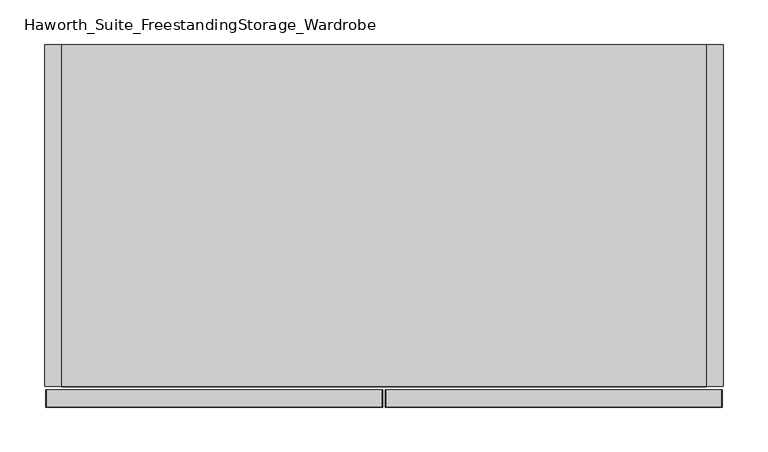
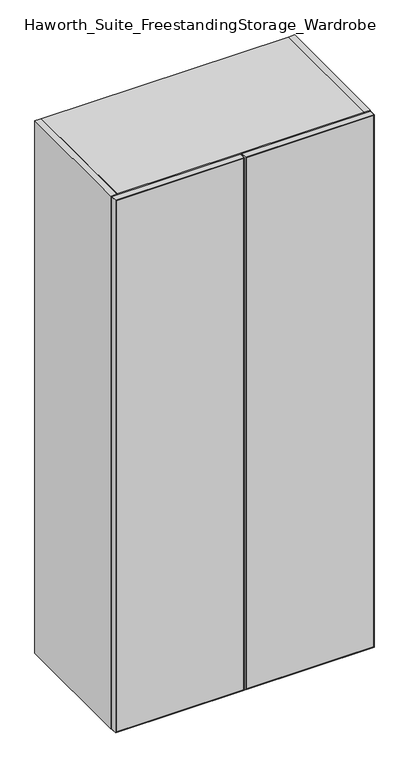
"""IFC4 building model written with IfcOpenShell, lengths in millimetres: furniture geometry, Haworth_Suite_FreestandingStorage_Wardrobe."""

from ifc_helpers import new_model, si_unit, point, frame, frame_2d, origin, origin_with_axes, place, context, project, spatial, polyline, circle_curve, trimmed, segment, composite_curve, outline, extrude, source, transform, mapped, element, save


def haworth_suite_freestandingstorage_wardrobe_a441ea4c(model_context):
    return source(origin(), model_context, "Body", "SweptSolid", [
        extrude(outline(polyline([(1651.0, 61.9125), (1649.4125, 60.325), (1.5875, 60.325), (0.0, 61.9125), (1651.0, 61.9125)])), frame((0.0, -419.89375, 0.0), z_axis=(0.0, 1.0, 0.0), x_axis=(0.0, 0.0, 1.0)), (0.0, 0.0, 1.0), 19.05),
        extrude(outline(polyline([(1651.0, -315.9125), (0.0, -315.9125), (1.5875, -314.325), (1649.4125, -314.325), (1651.0, -315.9125)])), frame((0.0, -419.89375, 0.0), z_axis=(0.0, 1.0, 0.0), x_axis=(0.0, 0.0, 1.0)), (0.0, 0.0, 1.0), 19.05),
        extrude(outline(polyline([(1649.4125, 60.325), (1651.0, 61.9125), (1651.0, -315.9125), (1649.4125, -314.325), (1649.4125, 60.325)])), frame((0.0, -419.89375, 0.0), z_axis=(0.0, 1.0, 0.0), x_axis=(0.0, 0.0, 1.0)), (0.0, 0.0, 1.0), 19.05),
        extrude(outline(polyline([(1.5875, 60.325), (1.5875, -314.325), (0.0, -315.9125), (0.0, 61.9125), (1.5875, 60.325)])), frame((0.0, -419.89375, 0.0), z_axis=(0.0, 1.0, 0.0), x_axis=(0.0, 0.0, 1.0)), (0.0, 0.0, 1.0), 19.05),
        extrude(outline(polyline([(-314.325, -401.6375), (60.325, -401.6375), (60.325, -419.1), (-314.325, -419.1), (-314.325, -401.6375)])), frame((0.0, 0.0, 1.5875), z_axis=(0.0, 0.0, 1.0), x_axis=(1.0, 0.0, 0.0)), (0.0, 0.0, 1.0), 1647.825),
        extrude(outline(polyline([(1651.0, 65.0875), (0.0, 65.0875), (1.5875, 66.675), (1649.4125, 66.675), (1651.0, 65.0875)])), frame((0.0, -419.89375, 0.0), z_axis=(0.0, 1.0, 0.0), x_axis=(0.0, 0.0, 1.0)), (0.0, 0.0, 1.0), 19.05),
        extrude(outline(polyline([(1651.0, 442.9125), (1649.4125, 441.325), (1.5875, 441.325), (0.0, 442.9125), (1651.0, 442.9125)])), frame((0.0, -419.89375, 0.0), z_axis=(0.0, 1.0, 0.0), x_axis=(0.0, 0.0, 1.0)), (0.0, 0.0, 1.0), 19.05),
        extrude(outline(polyline([(1649.4125, 66.675), (1649.4125, 441.325), (1651.0, 442.9125), (1651.0, 65.0875), (1649.4125, 66.675)])), frame((0.0, -419.89375, 0.0), z_axis=(0.0, 1.0, 0.0), x_axis=(0.0, 0.0, 1.0)), (0.0, 0.0, 1.0), 19.05),
        extrude(outline(polyline([(1.5875, 66.675), (0.0, 65.0875), (0.0, 442.9125), (1.5875, 441.325), (1.5875, 66.675)])), frame((0.0, -419.89375, 0.0), z_axis=(0.0, 1.0, 0.0), x_axis=(0.0, 0.0, 1.0)), (0.0, 0.0, 1.0), 19.05),
        extrude(outline(polyline([(441.325, -401.6375), (441.325, -419.1), (66.675, -419.1), (66.675, -401.6375), (441.325, -401.6375)])), frame((0.0, 0.0, 1.5875), z_axis=(0.0, 0.0, 1.0), x_axis=(1.0, 0.0, 0.0)), (0.0, 0.0, 1.0), 1647.825),
        extrude(outline(composite_curve([segment(trimmed(circle_curve(frame_2d((1524.0, 196.85)), 12.7), [point((1524.0, 209.55))], [point((1524.0, 184.15))], False, "CARTESIAN"), True, "CONTINUOUS"), segment(trimmed(circle_curve(frame_2d((1524.0, 196.85)), 12.7), [point((1524.0, 184.15))], [point((1524.0, 209.55))], False, "CARTESIAN"), True, "CONTINUOUS")], self_intersect=False)), frame((0.0, -88.9, 0.0), z_axis=(0.0, 1.0, 0.0), x_axis=(0.0, 0.0, 1.0)), (0.0, 0.0, 1.0), 57.15),
        extrude(outline(polyline([(-31.75, -31.75), (-31.75, -396.875), (-50.8, -396.875), (-50.8, -31.75), (-31.75, -31.75)])), frame((0.0, 0.0, 38.1), z_axis=(0.0, 0.0, 1.0), x_axis=(1.0, 0.0, 0.0)), (0.0, 0.0, 1.0), 1593.85),
        extrude(outline(polyline([(-50.8, -31.75), (-50.8, -377.825), (-298.45, -377.825), (-298.45, -31.75), (-50.8, -31.75)])), frame((0.0, 0.0, 431.8), z_axis=(0.0, 0.0, 1.0), x_axis=(1.0, 0.0, 0.0)), (0.0, 0.0, 1.0), 19.05),
        extrude(outline(polyline([(-50.8, -31.75), (-50.8, -377.825), (-298.45, -377.825), (-298.45, -31.75), (-50.8, -31.75)])), frame((0.0, 0.0, 831.85), z_axis=(0.0, 0.0, 1.0), x_axis=(1.0, 0.0, 0.0)), (0.0, 0.0, 1.0), 19.05),
        extrude(outline(polyline([(-50.8, -31.75), (-50.8, -377.825), (-298.45, -377.825), (-298.45, -31.75), (-50.8, -31.75)])), frame((0.0, 0.0, 1231.9), z_axis=(0.0, 0.0, 1.0), x_axis=(1.0, 0.0, 0.0)), (0.0, 0.0, 1.0), 19.05),
        extrude(outline(polyline([(425.45, -12.7), (425.45, -396.875), (-298.45, -396.875), (-298.45, -12.7), (425.45, -12.7)])), frame((0.0, 0.0, 1631.95), z_axis=(0.0, 0.0, 1.0), x_axis=(1.0, 0.0, 0.0)), (0.0, 0.0, 1.0), 19.05),
        extrude(outline(polyline([(425.45, -12.7), (425.45, -31.75), (-298.45, -31.75), (-298.45, -12.7), (425.45, -12.7)])), origin_with_axes(), (0.0, 0.0, 1.0), 1631.95),
        extrude(outline(polyline([(425.45, -31.75), (425.45, -396.875), (-298.45, -396.875), (-298.45, -31.75), (425.45, -31.75)])), origin_with_axes(), (0.0, 0.0, 1.0), 38.1),
        extrude(outline(polyline([(-298.45, -12.7), (-298.45, -396.875), (-317.5, -396.875), (-317.5, -12.7), (-298.45, -12.7)])), origin_with_axes(), (0.0, 0.0, 1.0), 1651.0),
        extrude(outline(polyline([(444.5, -396.875), (425.45, -396.875), (425.45, -12.7), (444.5, -12.7), (444.5, -396.875)])), origin_with_axes(), (0.0, 0.0, 1.0), 1651.0),
    ])


if __name__ == "__main__":
    model = new_model("IFC4")
    model_context = context("Model", 3, world=origin())
    ifc_project = project(units=[si_unit("LENGTHUNIT", "METRE", prefix="MILLI")], contexts=[model_context])
    site = spatial("IfcSite", under=ifc_project)
    building = spatial("IfcBuilding", under=site)
    placement = place(None, origin())
    haworth_suite_freestandingstorage_wardrobe_shape = haworth_suite_freestandingstorage_wardrobe_a441ea4c(model_context)
    element("IfcFurniture", 1, ObjectType="Haworth_Suite_FreestandingStorage_Wardrobe", at=placement, inside=building, context=model_context, shape_type="MappedRepresentation", body=[
        mapped(haworth_suite_freestandingstorage_wardrobe_shape, transform((0.0, 0.0, 0.0), x_axis=(1.0, 0.0, 0.0), y_axis=(0.0, 1.0, 0.0), z_axis=(0.0, 0.0, 1.0))),
    ])
    save(model, "model.ifc")
